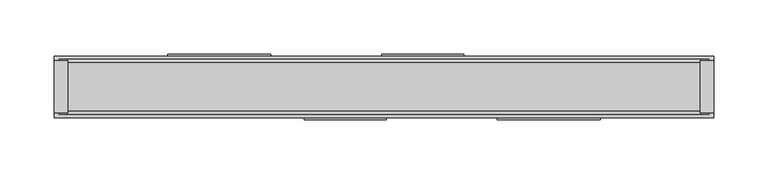
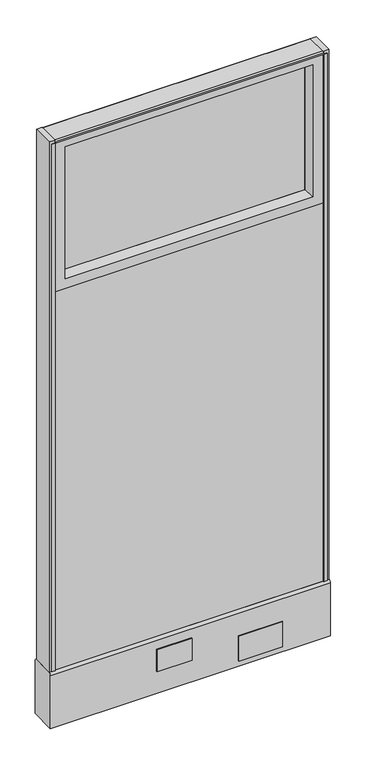
"""IFC4 building model written with IfcOpenShell, lengths in millimetres: furniture geometry."""

import ifcopenshell
import ifcopenshell.guid

model = None  # the IFC model being written
_history = None  # IfcOwnerHistory: only IFC2X3 demands one
_inside = {}  # id of a spatial element -> (the spatial element, [elements in it])
_under = {}  # id of a project, library or spatial element -> (it, [spatial elements below it])
_declared = {}  # id of a project -> (the project, [libraries it declares])
_typed = {}  # id of a type object -> (the type object, [elements of that type])
_made_of = {}  # id of a material, layer set ... -> (it, [elements and type objects made of it])


def new_model(schema):
    """Start an empty IFC model of exactly this schema.

    Asked for "IFC4X3", IfcOpenShell would pick the latest addendum, in which some entities
    have other attributes; the version numbers below select the first issue.
    IFC2X3 requires an IfcOwnerHistory on every rooted entity: one is made here for all.
    """
    global model, _history
    if schema == "IFC4X3":
        model = ifcopenshell.file(schema_version=(4, 3, 0, 0))
    else:
        model = ifcopenshell.file(schema=schema)
    _inside.clear()
    _under.clear()
    _declared.clear()
    _typed.clear()
    _made_of.clear()
    _history = None
    if model.schema == "IFC2X3":
        org = make("IfcOrganization", Name="unknown")
        user = make(
            "IfcPersonAndOrganization",
            ThePerson=make("IfcPerson", FamilyName="unknown"),
            TheOrganization=org,
        )
        app = make(
            "IfcApplication",
            ApplicationDeveloper=org,
            Version="unknown",
            ApplicationFullName="unknown",
            ApplicationIdentifier="unknown",
        )
        _history = make(
            "IfcOwnerHistory",
            OwningUser=user,
            OwningApplication=app,
            ChangeAction="ADDED",
            CreationDate=0,
        )
    return model


def make(cls, **values):
    """One entity of the class cls with the attributes given. An attribute that is None is left unset."""
    return model.create_entity(
        cls, **{name: value for name, value in values.items() if value is not None}
    )


def rooted(cls, **values):
    """An entity with a GlobalId (a new one), such as an element, a storey or a relation."""
    return make(cls, GlobalId=ifcopenshell.guid.new(), OwnerHistory=_history, **values)


def si_unit(unit_type, name, prefix=None):
    """IfcSIUnit, for example si_unit("LENGTHUNIT", "METRE", prefix="MILLI")."""
    return make("IfcSIUnit", UnitType=unit_type, Prefix=prefix, Name=name)


def assignment(units):
    """IfcUnitAssignment: the units of a project."""
    return None if units is None else make("IfcUnitAssignment", Units=units)


def point(xyz):
    """IfcCartesianPoint."""
    return None if xyz is None else make("IfcCartesianPoint", Coordinates=xyz)


def direction(xyz):
    """IfcDirection."""
    return None if xyz is None else make("IfcDirection", DirectionRatios=xyz)


def frame(location, z_axis=None, x_axis=None):
    """IfcAxis2Placement3D, a coordinate frame: its origin and axes. An axis left out is left unset."""
    return make(
        "IfcAxis2Placement3D",
        Location=point(location),
        Axis=direction(z_axis),
        RefDirection=direction(x_axis),
    )


def frame_2d(location, x_axis=None):
    """IfcAxis2Placement2D, a coordinate frame in the plane: its origin and x axis."""
    return make(
        "IfcAxis2Placement2D", Location=point(location), RefDirection=direction(x_axis)
    )


def origin():
    """The frame at (0, 0, 0) with its axes left unset."""
    return frame((0.0, 0.0, 0.0))


def place(relative_to, where):
    """IfcLocalPlacement: puts the frame where relative to a parent placement (None: the world)."""
    return make(
        "IfcLocalPlacement", PlacementRelTo=relative_to, RelativePlacement=where
    )


def context(
    kind, dimensions, precision=None, world=None, true_north=None, identifier=None
):
    """IfcGeometricRepresentationContext, for example the 3D "Model" context."""
    return make(
        "IfcGeometricRepresentationContext",
        ContextIdentifier=identifier,
        ContextType=kind,
        CoordinateSpaceDimension=dimensions,
        Precision=precision,
        WorldCoordinateSystem=world,
        TrueNorth=true_north,
    )


def project(units=None, contexts=None):
    """IfcProject with its units and contexts."""
    return rooted(
        "IfcProject",
        Name="project",
        RepresentationContexts=contexts,
        UnitsInContext=assignment(units),
    )


def spatial(cls, under=None, at=None, **own):
    """A site, building, storey or space (cls), placed at a placement, below another one or the project."""
    s = rooted(cls, ObjectPlacement=at, **own)
    if under is not None:
        _under.setdefault(under.id(), (under, []))[1].append(s)
    return s


def polyline(points):
    """IfcPolyline through the points."""
    return make("IfcPolyline", Points=[point(p) for p in points])


def circle_curve(where, radius):
    """IfcCircle in the frame where."""
    return make("IfcCircle", Position=where, Radius=radius)


def trimmed(basis, trim1, trim2, sense, master):
    """IfcTrimmedCurve: the piece of a basis curve between two trims."""
    return make(
        "IfcTrimmedCurve",
        BasisCurve=basis,
        Trim1=trim1,
        Trim2=trim2,
        SenseAgreement=sense,
        MasterRepresentation=master,
    )


def segment(curve, same_sense, transition):
    """IfcCompositeCurveSegment."""
    return make(
        "IfcCompositeCurveSegment",
        Transition=transition,
        SameSense=same_sense,
        ParentCurve=curve,
    )


def composite_curve(segments, self_intersect=None):
    """IfcCompositeCurve: segments joined end to end."""
    return make("IfcCompositeCurve", Segments=segments, SelfIntersect=self_intersect)


def outline(outer, holes=None, kind="AREA"):
    """IfcArbitraryClosedProfileDef: a profile drawn as a closed curve; with holes, ...WithVoids."""
    if holes is None:
        return make("IfcArbitraryClosedProfileDef", ProfileType=kind, OuterCurve=outer)
    return make(
        "IfcArbitraryProfileDefWithVoids",
        ProfileType=kind,
        OuterCurve=outer,
        InnerCurves=holes,
    )


def extrude(swept, where, along, depth):
    """IfcExtrudedAreaSolid: the profile swept, set in the frame where, extruded along a direction by depth."""
    return make(
        "IfcExtrudedAreaSolid",
        SweptArea=swept,
        Position=where,
        ExtrudedDirection=direction(along),
        Depth=depth,
    )


def faces_of(points, faces, orient=None, outer=None):
    """IfcFace entities. A face is a list of loops; a loop is a list of indices into points, from 0.

    orient and outer hold one flag for each loop. By default every Orientation is true, the
    first loop of a face is its IfcFaceOuterBound and the others are IfcFaceBound.
    """
    made = []
    for i, loops in enumerate(faces):
        bounds = []
        for j, loop in enumerate(loops):
            is_outer = j == 0 if outer is None else outer[i][j]
            bounds.append(
                make(
                    "IfcFaceOuterBound" if is_outer else "IfcFaceBound",
                    Bound=make("IfcPolyLoop", Polygon=[points[k] for k in loop]),
                    Orientation=True if orient is None else orient[i][j],
                )
            )
        made.append(make("IfcFace", Bounds=bounds))
    return made


def faceted_brep(points, faces, orient=None, outer=None, voids=None):
    """IfcFacetedBrep: a solid bounded by flat faces; with voids (closed shells), ...WithVoids."""
    shared = [point(p) for p in points]
    hull = make("IfcClosedShell", CfsFaces=faces_of(shared, faces, orient, outer))
    if voids is None:
        return make("IfcFacetedBrep", Outer=hull)
    return make(
        "IfcFacetedBrepWithVoids",
        Outer=hull,
        Voids=[
            make(cls, CfsFaces=faces_of(shared, fs, o, b)) for cls, fs, o, b in voids
        ],
    )


def shape(context_of_items, identifier, shape_type, items):
    """IfcShapeRepresentation: the items that make up one representation, for example the "Body"."""
    return make(
        "IfcShapeRepresentation",
        ContextOfItems=context_of_items,
        RepresentationIdentifier=identifier,
        RepresentationType=shape_type,
        Items=items,
    )


def source(mapping_origin, context_of_items, identifier, shape_type, items):
    """IfcRepresentationMap: a shape defined once, which mapped items show again and again."""
    return make(
        "IfcRepresentationMap",
        MappingOrigin=mapping_origin,
        MappedRepresentation=shape(context_of_items, identifier, shape_type, items),
    )


def transform(
    local_origin,
    x_axis=None,
    y_axis=None,
    z_axis=None,
    scale=None,
    scale2=None,
    scale3=None,
    uniform=True,
):
    """IfcCartesianTransformationOperator3D, or its non-uniform kind. x_axis, y_axis, z_axis: its Axis1, 2, 3."""
    if uniform:
        return make(
            "IfcCartesianTransformationOperator3D",
            Axis1=direction(x_axis),
            Axis2=direction(y_axis),
            LocalOrigin=point(local_origin),
            Scale=scale,
            Axis3=direction(z_axis),
        )
    return make(
        "IfcCartesianTransformationOperator3DnonUniform",
        Axis1=direction(x_axis),
        Axis2=direction(y_axis),
        LocalOrigin=point(local_origin),
        Scale=scale,
        Axis3=direction(z_axis),
        Scale2=scale2,
        Scale3=scale3,
    )


def mapped(mapping_source, mapping_target):
    """IfcMappedItem: shows the shape of a source again, moved by a transform."""
    return make(
        "IfcMappedItem", MappingSource=mapping_source, MappingTarget=mapping_target
    )


def made_of(thing, what):
    """Note that an element or type object is made of a material, layer set ...; save() writes the relation."""
    if what is not None:
        _made_of.setdefault(what.id(), (what, []))[1].append(thing)
    return thing


def element(
    cls,
    number,
    at=None,
    inside=None,
    cuts=None,
    type_object=None,
    material=None,
    context=None,
    identifier="Body",
    shape_type=None,
    held_by="IfcProductDefinitionShape",
    body=None,
    shapes=None,
    **own,
):
    """One element of the class cls, such as IfcWall. Its Tag is "e" and its number.

    at: its placement. inside: the storey or other place that contains it. cuts: it is an
    opening in that element (IfcRelVoidsElement). A single representation is given by context,
    identifier, shape_type and body (its items); several are given by shapes. held_by: the class
    of the entity that holds the representations. save() writes the other relations.
    """
    e = rooted(cls, Tag="e%d" % number, ObjectPlacement=at, **own)
    if body is not None:
        shapes = [shape(context, identifier, shape_type, body)]
    if shapes is not None:
        e.Representation = make(held_by, Representations=shapes)
    if inside is not None:
        _inside.setdefault(inside.id(), (inside, []))[1].append(e)
    if cuts is not None:
        rooted(
            "IfcRelVoidsElement", RelatingBuildingElement=cuts, RelatedOpeningElement=e
        )
    if type_object is not None:
        _typed.setdefault(type_object.id(), (type_object, []))[1].append(e)
    return made_of(e, material)


def aggregate(whole, parts):
    """IfcRelAggregates: a whole, such as a stair, and the parts it consists of."""
    return rooted("IfcRelAggregates", RelatingObject=whole, RelatedObjects=parts)


def save(model, path):
    """Write the relations noted so far, then the file.

    IfcRelAggregates (storeys below a building ...), IfcRelContainedInSpatialStructure (elements
    in a storey), IfcRelDefinesByType, IfcRelAssociatesMaterial and IfcRelDeclares: one each for
    every whole, place, type object, material and project.
    """
    for whole, parts in _under.values():
        aggregate(whole, parts)
    for where, things in _inside.values():
        rooted(
            "IfcRelContainedInSpatialStructure",
            RelatedElements=things,
            RelatingStructure=where,
        )
    for kind, things in _typed.values():
        rooted("IfcRelDefinesByType", RelatedObjects=things, RelatingType=kind)
    for what, things in _made_of.values():
        rooted("IfcRelAssociatesMaterial", RelatedObjects=things, RelatingMaterial=what)
    for by, libraries in _declared.values():
        rooted("IfcRelDeclares", RelatingContext=by, RelatedDefinitions=libraries)
    model.write(path)


def plane_surface(at):
    """IfcPlane: the flat surface through the origin of the frame at, square to its z axis."""
    return make("IfcPlane", Position=at)


def cylinder_surface(at, radius):
    """IfcCylindricalSurface: all points at the distance radius from the z axis of the frame at."""
    return make("IfcCylindricalSurface", Position=at, Radius=radius)


def advanced_brep(points, edges, surfaces, faces):
    """IfcAdvancedBrep: a solid bounded by faces that lie on surfaces and meet in shared edges.

    An edge is (start, end): straight between two places in points (the first is 0);
    or (start, end, curve); or (start, end, curve, False) where it runs against its curve.
    A face is (place in surfaces, loops), or (place, loops, False) where it looks against
    its surface's normal. A loop lists edges by number (the first is 1), with a minus sign
    where the edge is run from its end to its start. The first loop is the outer one.
    """
    corners = [point(p) for p in points]
    vertices = [make("IfcVertexPoint", VertexGeometry=c) for c in corners]
    made = []
    for start, end, *more in edges:
        made.append(
            make(
                "IfcEdgeCurve",
                EdgeStart=vertices[start],
                EdgeEnd=vertices[end],
                EdgeGeometry=more[0] if more else make("IfcPolyline", Points=[corners[start], corners[end]]),
                SameSense=more[1] if len(more) > 1 else True,
            )
        )
    hull = []
    for where, loops, *sense in faces:
        bounds = []
        for j, loop in enumerate(loops):
            ring = [make("IfcOrientedEdge", EdgeElement=made[abs(k) - 1], Orientation=k > 0) for k in loop]
            bounds.append(
                make(
                    "IfcFaceOuterBound" if j == 0 else "IfcFaceBound",
                    Bound=make("IfcEdgeLoop", EdgeList=ring),
                    Orientation=True,
                )
            )
        hull.append(make("IfcAdvancedFace", Bounds=bounds, FaceSurface=surfaces[where], SameSense=sense[0] if sense else True))
    return make("IfcAdvancedBrep", Outer=make("IfcClosedShell", CfsFaces=hull))


def furniture_ad444c19(model_context):
    return source(origin(), model_context, "Body", "SolidModel", [
        extrude(outline(polyline([(292.1, 23.8125), (292.1, 0.0), (-292.1, 0.0), (-292.1, 23.8125), (292.1, 23.8125)])), frame((0.0, 0.0, 136.525), z_axis=(0.0, 0.0, 1.0), x_axis=(1.0, 0.0, 0.0)), (0.0, 0.0, 1.0), 869.9500242),
        extrude(outline(polyline([(263.5280802, 3.5657282), (263.5280802, -3.5657282), (-263.5209786, -3.5657282), (-263.5209786, 3.5657282), (263.5280802, 3.5657282)])), frame((0.0, 0.0, 1035.0500242), z_axis=(0.0, 0.0, 1.0), x_axis=(1.0, 0.0, 0.0)), (0.0, 0.0, 1.0), 290.5125727),
        faceted_brep([(269.8790846, 23.8125, 1028.6990198), (263.5280802, 3.5657282, 1035.0500242), (263.5280802, 3.5657282, 1325.5625969), (269.8790846, 23.8125, 1331.9136014), (292.1030802, -23.8125, 1006.4750242), (292.1030802, 23.8125, 1006.4750242), (292.1030802, 23.8125, 1354.1375969), (292.1030802, -23.8125, 1354.1375969), (263.5280802, -3.5657282, 1035.0500242), (269.8790846, -23.8125, 1028.6990198), (269.8790846, -23.8125, 1331.9136014), (263.5280802, -3.5657282, 1325.5625969), (-263.5209786, 3.5657282, 1325.5625969), (-269.8719831, 23.8125, 1331.9136014), (-292.0959786, 23.8125, 1354.1375969), (-292.0959786, -23.8125, 1354.1375969), (-269.8719831, -23.8125, 1331.9136014), (-263.5209786, -3.5657282, 1325.5625969), (-263.5209786, 3.5657282, 1035.0500242), (-269.8719831, 23.8125, 1028.6990198), (-292.0959786, 23.8125, 1006.4750242), (-292.0959786, -23.8125, 1006.4750242), (-269.8719831, -23.8125, 1028.6990198), (-263.5209786, -3.5657282, 1035.0500242)], [[[0, 1, 2, 3]], [[4, 5, 6, 7]], [[8, 9, 10, 11]], [[1, 8, 11, 2]], [[3, 2, 12, 13]], [[7, 6, 14, 15]], [[11, 10, 16, 17]], [[2, 11, 17, 12]], [[13, 12, 18, 19]], [[15, 14, 20, 21]], [[17, 16, 22, 23]], [[12, 17, 23, 18]], [[19, 18, 1, 0]], [[5, 20, 14, 6], [3, 13, 19, 0]], [[21, 20, 5, 4]], [[7, 15, 21, 4], [9, 22, 16, 10]], [[23, 22, 9, 8]], [[18, 23, 8, 1]]]),
        extrude(outline(polyline([(-104.775, 28.575), (-200.025, 28.575), (-200.025, 30.1625), (-104.775, 30.1625), (-104.775, 28.575)])), frame((0.0, 0.0, 22.225), z_axis=(0.0, 0.0, 1.0), x_axis=(1.0, 0.0, 0.0)), (0.0, 0.0, 1.0), 57.15),
        extrude(outline(polyline([(200.025, -30.1625), (104.775, -30.1625), (104.775, -28.575), (200.025, -28.575), (200.025, -30.1625)])), frame((0.0, 0.0, 22.225), z_axis=(0.0, 0.0, 1.0), x_axis=(1.0, 0.0, 0.0)), (0.0, 0.0, 1.0), 57.15),
        advanced_brep(
        [(247.65, 0.0, 0.0), (273.05, 0.0, 0.0), (260.35, 0.0, 0.0), (247.65, 0.0, 4.7625), (273.05, 0.0, 4.7625), (254.0, 0.0, 4.7625), (266.7, 0.0, 4.7625), (254.0, 0.0, 111.125), (266.7, 0.0, 111.125), (260.35, 0.0, 111.125)],
        [
            (0, 1, circle_curve(frame((260.35, 0.0, 0.0), z_axis=(0.0, 0.0, -1.0), x_axis=(1.0, 0.0, 0.0)), 12.7)),
            (1, 2),
            (2, 0),
            (1, 0, circle_curve(frame((260.35, 0.0, 0.0), z_axis=(0.0, 0.0, -1.0), x_axis=(1.0, 0.0, 0.0)), 12.7)),
            (3, 4, circle_curve(frame((260.35, 0.0, 4.7625), z_axis=(0.0, 0.0, -1.0), x_axis=(1.0, 0.0, 0.0)), 12.7)),
            (4, 1),
            (0, 3),
            (4, 3, circle_curve(frame((260.35, 0.0, 4.7625), z_axis=(0.0, 0.0, -1.0), x_axis=(1.0, 0.0, 0.0)), 12.7)),
            (5, 6, circle_curve(frame((260.35, 0.0, 4.7625), z_axis=(0.0, 0.0, -1.0), x_axis=(1.0, 0.0, 0.0)), 6.35)),
            (6, 4),
            (3, 5),
            (6, 5, circle_curve(frame((260.35, 0.0, 4.7625), z_axis=(0.0, 0.0, -1.0), x_axis=(1.0, 0.0, 0.0)), 6.35)),
            (7, 8, circle_curve(frame((260.35, 0.0, 111.125), z_axis=(0.0, 0.0, -1.0), x_axis=(1.0, 0.0, 0.0)), 6.35)),
            (8, 6),
            (5, 7),
            (8, 7, circle_curve(frame((260.35, 0.0, 111.125), z_axis=(0.0, 0.0, -1.0), x_axis=(1.0, 0.0, 0.0)), 6.35)),
            (9, 8),
            (7, 9),
        ],
        [
            plane_surface(frame((260.35, 0.0, 0.0), z_axis=(0.0, 0.0, -1.0), x_axis=(1.0, 0.0, 0.0))),
            cylinder_surface(frame((260.35, 0.0, 114.882153), z_axis=(0.0, 0.0, 1.0), x_axis=(1.0, 0.0, 0.0)), 12.7),
            plane_surface(frame((260.35, 0.0, 4.7625), z_axis=(0.0, 0.0, 1.0), x_axis=(1.0, 0.0, 0.0))),
            cylinder_surface(frame((260.35, 0.0, 114.882153), z_axis=(0.0, 0.0, 1.0), x_axis=(1.0, 0.0, 0.0)), 6.35),
            plane_surface(frame((260.35, 0.0, 111.125), z_axis=(0.0, 0.0, 1.0), x_axis=(1.0, 0.0, 0.0))),
        ],
        [
            (0, [[1, 2, 3]]),
            (0, [[4, -3, -2]]),
            (1, [[5, 6, -1, 7]]),
            (1, [[8, -7, -4, -6]]),
            (2, [[9, 10, -5, 11]]),
            (2, [[12, -11, -8, -10]]),
            (3, [[13, 14, -9, 15]]),
            (3, [[16, -15, -12, -14]]),
            (4, [[17, -13, 18]]),
            (4, [[-18, -16, -17]]),
        ],
    ),
        advanced_brep(
        [(-273.05, 0.0, 4.7625), (-247.65, 0.0, 4.7625), (-247.65, 0.0, 0.0), (-273.05, 0.0, 0.0), (-266.7, 0.0, 4.7625), (-254.0, 0.0, 4.7625), (-266.7, 0.0, 111.125), (-254.0, 0.0, 111.125), (-260.35, 0.0, 111.125), (-260.35, 0.0, 0.0)],
        [
            (0, 1, circle_curve(frame((-260.35, 0.0, 4.7625), z_axis=(0.0, 0.0, -1.0), x_axis=(1.0, 0.0, 0.0)), 12.7)),
            (1, 2),
            (2, 3, circle_curve(frame((-260.35, 0.0, 0.0), z_axis=(0.0, 0.0, 1.0), x_axis=(1.0, 0.0, 0.0)), 12.7)),
            (3, 0),
            (1, 0, circle_curve(frame((-260.35, 0.0, 4.7625), z_axis=(0.0, 0.0, -1.0), x_axis=(1.0, 0.0, 0.0)), 12.7)),
            (3, 2, circle_curve(frame((-260.35, 0.0, 0.0), z_axis=(0.0, 0.0, 1.0), x_axis=(1.0, 0.0, 0.0)), 12.7)),
            (4, 5, circle_curve(frame((-260.35, 0.0, 4.7625), z_axis=(0.0, 0.0, -1.0), x_axis=(1.0, 0.0, 0.0)), 6.35)),
            (5, 1),
            (0, 4),
            (5, 4, circle_curve(frame((-260.35, 0.0, 4.7625), z_axis=(0.0, 0.0, -1.0), x_axis=(1.0, 0.0, 0.0)), 6.35)),
            (6, 7, circle_curve(frame((-260.35, 0.0, 111.125), z_axis=(0.0, 0.0, -1.0), x_axis=(1.0, 0.0, 0.0)), 6.35)),
            (7, 5),
            (4, 6),
            (7, 6, circle_curve(frame((-260.35, 0.0, 111.125), z_axis=(0.0, 0.0, -1.0), x_axis=(1.0, 0.0, 0.0)), 6.35)),
            (8, 7),
            (6, 8),
            (2, 9),
            (9, 3),
        ],
        [
            cylinder_surface(frame((-260.35, 0.0, 123.825), z_axis=(0.0, 0.0, 1.0), x_axis=(1.0, 0.0, 0.0)), 12.7),
            plane_surface(frame((-260.35, 0.0, 4.7625), z_axis=(0.0, 0.0, 1.0), x_axis=(1.0, 0.0, 0.0))),
            cylinder_surface(frame((-260.35, 0.0, 123.825), z_axis=(0.0, 0.0, 1.0), x_axis=(1.0, 0.0, 0.0)), 6.35),
            plane_surface(frame((-260.35, 0.0, 111.125), z_axis=(0.0, 0.0, 1.0), x_axis=(1.0, 0.0, 0.0))),
            plane_surface(frame((-260.35, 0.0, 0.0), z_axis=(0.0, 0.0, -1.0), x_axis=(1.0, 0.0, 0.0))),
        ],
        [
            (0, [[1, 2, 3, 4]]),
            (0, [[5, -4, 6, -2]]),
            (1, [[7, 8, -1, 9]]),
            (1, [[10, -9, -5, -8]]),
            (2, [[11, 12, -7, 13]]),
            (2, [[14, -13, -10, -12]]),
            (3, [[15, -11, 16]]),
            (3, [[-16, -14, -15]]),
            (4, [[-3, 17, 18]]),
            (4, [[-6, -18, -17]]),
        ],
    ),
        extrude(outline(polyline([(-304.8, 23.8125), (-292.1, 23.8125), (-292.1, -23.8125), (-304.8, -23.8125), (-304.8, 23.8125)])), frame((0.0, 0.0, 136.525), z_axis=(0.0, 0.0, 1.0), x_axis=(1.0, 0.0, 0.0)), (0.0, 0.0, 1.0), 1219.2),
        extrude(outline(polyline([(292.1, -23.8125), (292.1, 23.8125), (304.8, 23.8125), (304.8, -23.8125), (292.1, -23.8125)])), frame((0.0, 0.0, 136.525), z_axis=(0.0, 0.0, 1.0), x_axis=(1.0, 0.0, 0.0)), (0.0, 0.0, 1.0), 1219.2),
        extrude(outline(polyline([(-292.1, 25.4), (-292.1, 23.8125), (-300.0375, 23.8125), (-300.0375, 25.4), (-292.1, 25.4)])), frame((0.0, 0.0, 136.525), z_axis=(0.0, 0.0, 1.0), x_axis=(1.0, 0.0, 0.0)), (0.0, 0.0, 1.0), 1212.85),
        extrude(outline(polyline([(-292.1, -25.4), (-300.0375, -25.4), (-300.0375, -23.8125), (-292.1, -23.8125), (-292.1, -25.4)])), frame((0.0, 0.0, 136.525), z_axis=(0.0, 0.0, 1.0), x_axis=(1.0, 0.0, 0.0)), (0.0, 0.0, 1.0), 1212.85),
        extrude(outline(polyline([(300.0375, 23.8125), (292.1, 23.8125), (292.1, 25.4), (300.0375, 25.4), (300.0375, 23.8125)])), frame((0.0, 0.0, 136.525), z_axis=(0.0, 0.0, 1.0), x_axis=(1.0, 0.0, 0.0)), (0.0, 0.0, 1.0), 1212.85),
        extrude(outline(polyline([(292.1, -25.4), (292.1, -23.8125), (300.0375, -23.8125), (300.0375, -25.4), (292.1, -25.4)])), frame((0.0, 0.0, 136.525), z_axis=(0.0, 0.0, 1.0), x_axis=(1.0, 0.0, 0.0)), (0.0, 0.0, 1.0), 1212.85),
        extrude(outline(composite_curve([segment(trimmed(circle_curve(frame_2d((22.225, 1352.55)), 3.175), [point((22.225, 1355.725))], [point((25.4, 1352.55))], False, "CARTESIAN"), True, "CONTINUOUS"), segment(polyline([(25.4, 1352.55), (25.4, 1349.375), (-25.4, 1349.375), (-25.4, 1352.55)]), True, "CONTINUOUS"), segment(trimmed(circle_curve(frame_2d((-22.225, 1352.55)), 3.175), [point((-25.4, 1352.55))], [point((-22.225, 1355.725))], False, "CARTESIAN"), True, "CONTINUOUS"), segment(polyline([(-22.225, 1355.725), (22.225, 1355.725)]), True, "CONTINUOUS")], self_intersect=False)), frame((-292.1, 0.0, 0.0), z_axis=(1.0, 0.0, 0.0), x_axis=(0.0, 1.0, 0.0)), (0.0, 0.0, 1.0), 584.2),
        extrude(outline(polyline([(73.914, 30.1625), (73.914, 28.575), (-2.286, 28.575), (-2.286, 30.1625), (73.914, 30.1625)])), frame((0.0, 0.0, 60.325), z_axis=(0.0, 0.0, 1.0), x_axis=(1.0, 0.0, 0.0)), (0.0, 0.0, 1.0), 50.8),
        extrude(outline(polyline([(2.286, -28.575), (2.286, -30.1625), (-73.914, -30.1625), (-73.914, -28.575), (2.286, -28.575)])), frame((0.0, 0.0, 60.325), z_axis=(0.0, 0.0, 1.0), x_axis=(1.0, 0.0, 0.0)), (0.0, 0.0, 1.0), 50.8),
        extrude(outline(composite_curve([segment(polyline([(28.575, 9.525), (-28.575, 9.525), (-28.575, 130.96875)]), True, "CONTINUOUS"), segment(trimmed(circle_curve(frame_2d((-23.01875, 130.96875)), 5.55625), [point((-28.575, 130.96875))], [point((-23.01875, 136.525))], False, "CARTESIAN"), True, "CONTINUOUS"), segment(polyline([(-23.01875, 136.525), (23.01875, 136.525)]), True, "CONTINUOUS"), segment(trimmed(circle_curve(frame_2d((23.01875, 130.96875)), 5.55625), [point((23.01875, 136.525))], [point((28.575, 130.96875))], False, "CARTESIAN"), True, "CONTINUOUS"), segment(polyline([(28.575, 130.96875), (28.575, 9.525)]), True, "CONTINUOUS")], self_intersect=False)), frame((-304.8, 0.0, 0.0), z_axis=(1.0, 0.0, 0.0), x_axis=(0.0, 1.0, 0.0)), (0.0, 0.0, 1.0), 609.6),
        extrude(outline(polyline([(292.1, 0.0), (292.1, -23.8125), (-292.1, -23.8125), (-292.1, 0.0), (292.1, 0.0)])), frame((0.0, 0.0, 136.525), z_axis=(0.0, 0.0, 1.0), x_axis=(1.0, 0.0, 0.0)), (0.0, 0.0, 1.0), 869.9500242),
    ])


if __name__ == "__main__":
    model = new_model("IFC4")
    model_context = context("Model", 3, world=origin())
    ifc_project = project(units=[si_unit("LENGTHUNIT", "METRE", prefix="MILLI")], contexts=[model_context])
    site = spatial("IfcSite", under=ifc_project)
    building = spatial("IfcBuilding", under=site)
    placement = place(None, origin())
    furniture_shape = furniture_ad444c19(model_context)
    element("IfcFurniture", 1, at=placement, inside=building, context=model_context, shape_type="MappedRepresentation", body=[
        mapped(furniture_shape, transform((0.0, 0.0, 0.0), x_axis=(1.0, 0.0, 0.0), y_axis=(0.0, 1.0, 0.0), z_axis=(0.0, 0.0, 1.0))),
    ])
    save(model, "model.ifc")
